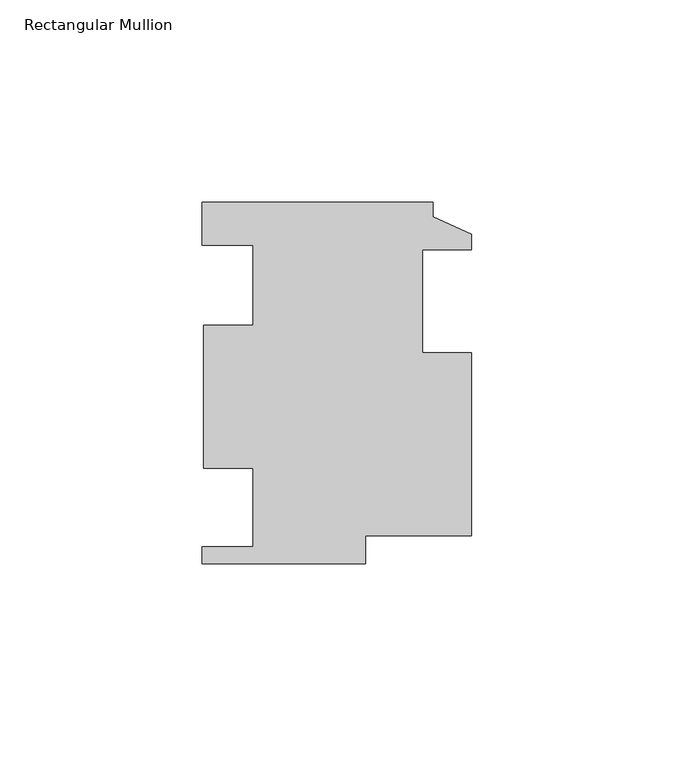
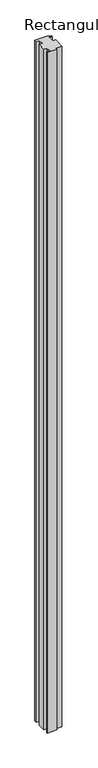
"""IFC4 building model written with IfcOpenShell, lengths in millimetres: member geometry, Rectangular Mullion."""

from ifc_helpers import new_model, si_unit, frame, origin, place, context, project, spatial, polyline, outline, extrude, source, transform, mapped, element, save


def rectangular_mullion_80a45197(model_context):
    return source(origin(), model_context, "Body", "SweptSolid", [
        extrude(outline(polyline([(-66.7512, -43.7261269), (-66.7512, -39.4843269), (-54.0512, -39.4843269), (-54.0512, -20.1549269), (-66.4055073, -20.1549269), (-66.4055073, 15.2526731), (-54.0512, 15.2526731), (-54.0512, 35.0900731), (-66.7512, 35.0900731), (-66.7512, 45.7326731), (-9.525, 45.7326731), (-9.525, 42.1258731), (0.0, 37.8078731), (0.0, 33.8962731), (-12.2174, 33.8962731), (-12.2174, 8.4962731), (0.0, 8.4962731), (0.0, -36.8173269), (-26.289, -36.8173269), (-26.289, -43.7261269), (-66.7512, -43.7261269)])), frame((0.0, 0.0, -3048.0), z_axis=(0.0, 0.0, 1.0), x_axis=(1.0, 0.0, 0.0)), (0.0, 0.0, 1.0), 3048.0),
    ])


if __name__ == "__main__":
    model = new_model("IFC4")
    model_context = context("Model", 3, world=origin())
    ifc_project = project(units=[si_unit("LENGTHUNIT", "METRE", prefix="MILLI")], contexts=[model_context])
    site = spatial("IfcSite", under=ifc_project)
    building = spatial("IfcBuilding", under=site)
    placement = place(None, origin())
    rectangular_mullion_shape = rectangular_mullion_80a45197(model_context)
    element("IfcMember", 1, ObjectType="Rectangular Mullion", at=placement, inside=building, context=model_context, shape_type="MappedRepresentation", body=[
        mapped(rectangular_mullion_shape, transform((0.0, 0.0, 0.0), x_axis=(1.0, 0.0, 0.0), y_axis=(0.0, 1.0, 0.0), z_axis=(0.0, 0.0, 1.0))),
    ])
    save(model, "model.ifc")
